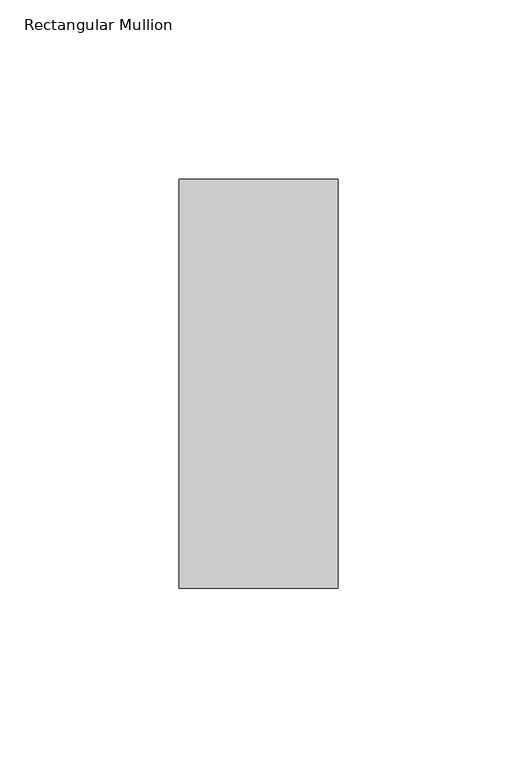
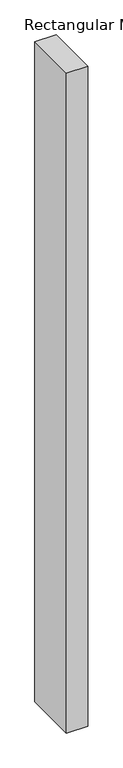
"""IFC4 building model written with IfcOpenShell, lengths in millimetres: member geometry, Rectangular Mullion."""

from ifc_helpers import new_model, si_unit, frame, origin, place, context, project, spatial, polyline, outline, extrude, source, transform, mapped, element, save


def rectangular_mullion_59f236e5(model_context):
    return source(origin(), model_context, "Body", "SweptSolid", [
        extrude(outline(polyline([(22.2136654, 57.1373), (22.2136654, -57.1079043), (-22.225, -57.1079043), (-22.225, 57.1373), (22.2136654, 57.1373)])), frame((0.0, 0.0, -1457.3363346), z_axis=(0.0, 0.0, 1.0), x_axis=(1.0, 0.0, 0.0)), (0.0, 0.0, 1.0), 1457.3363346),
    ])


if __name__ == "__main__":
    model = new_model("IFC4")
    model_context = context("Model", 3, world=origin())
    ifc_project = project(units=[si_unit("LENGTHUNIT", "METRE", prefix="MILLI")], contexts=[model_context])
    site = spatial("IfcSite", under=ifc_project)
    building = spatial("IfcBuilding", under=site)
    placement = place(None, origin())
    rectangular_mullion_shape = rectangular_mullion_59f236e5(model_context)
    element("IfcMember", 1, ObjectType="Rectangular Mullion", at=placement, inside=building, context=model_context, shape_type="MappedRepresentation", body=[
        mapped(rectangular_mullion_shape, transform((0.0, 0.0, 0.0), x_axis=(1.0, 0.0, 0.0), y_axis=(0.0, 1.0, 0.0), z_axis=(0.0, 0.0, 1.0))),
    ])
    save(model, "model.ifc")
